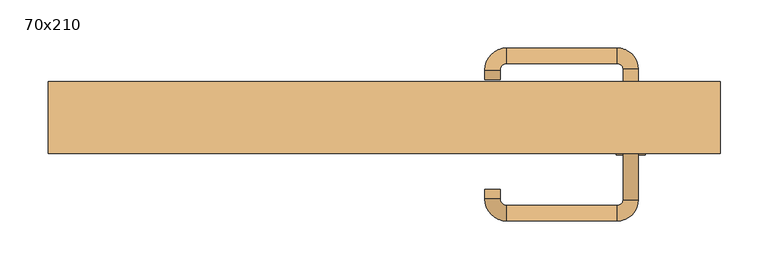
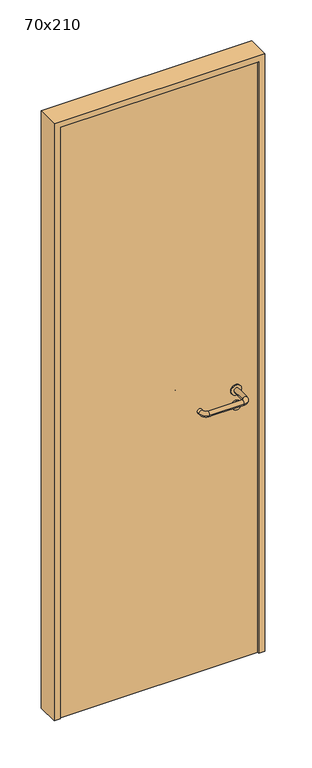
"""IFC4 building model written with IfcOpenShell, lengths in millimetres: door geometry, 70x210."""

from ifc_helpers import new_model, si_unit, point, frame, frame_2d, origin, origin_with_axes, place, context, project, spatial, polyline, circle_curve, ellipse_curve, trimmed, segment, composite_curve, outline, extrude, source, transform, mapped, element, save
from ifc_brep_helpers import plane_surface, cylinder_surface, revolved_surface, advanced_brep


def door_70x210_0659071b(model_context):
    return source(origin(), model_context, "Body", "SolidModel", [
        extrude(outline(composite_curve([segment(trimmed(circle_curve(frame_2d((897.3605726, 257.0)), 15.0), [point((897.3605726, 272.0))], [point((897.3605726, 242.0))], False, "CARTESIAN"), True, "CONTINUOUS"), segment(trimmed(circle_curve(frame_2d((897.3605726, 257.0)), 15.0), [point((897.3605726, 242.0))], [point((897.3605726, 272.0))], False, "CARTESIAN"), True, "CONTINUOUS")], self_intersect=False), holes=[composite_curve([segment(trimmed(circle_curve(frame_2d((892.5833211, 256.9398032)), 2.0), [point((892.5833211, 258.9398032))], [point((892.5833211, 254.9398032))], True, "CARTESIAN"), True, "CONTINUOUS"), segment(polyline([(892.5833211, 254.9398032), (902.5833211, 254.9398032)]), True, "CONTINUOUS"), segment(trimmed(circle_curve(frame_2d((902.5833211, 256.9398032)), 2.0), [point((902.5833211, 254.9398032))], [point((902.5833211, 258.9398032))], True, "CARTESIAN"), True, "CONTINUOUS"), segment(polyline([(902.5833211, 258.9398032), (892.5833211, 258.9398032)]), True, "CONTINUOUS")], self_intersect=False)]), frame((0.0, -27.5, 0.0), z_axis=(0.0, 1.0, 0.0), x_axis=(0.0, 0.0, 1.0)), (0.0, 0.0, 1.0), 6.35),
        extrude(outline(composite_curve([segment(trimmed(circle_curve(frame_2d((950.0, 257.0)), 17.526), [point((950.0, 274.526))], [point((950.0, 239.474))], False, "CARTESIAN"), True, "CONTINUOUS"), segment(trimmed(circle_curve(frame_2d((950.0, 257.0)), 17.526), [point((950.0, 239.474))], [point((950.0, 274.526))], False, "CARTESIAN"), True, "CONTINUOUS")], self_intersect=False)), frame((0.0, -27.5, 0.0), z_axis=(0.0, 1.0, 0.0), x_axis=(0.0, 0.0, 1.0)), (0.0, 0.0, 1.0), 3.175),
        advanced_brep(
        [(265.0, -27.5, 950.0), (249.0, -27.5, 950.0), (265.0, 25.5, 950.0), (249.0, 25.5, 950.0), (242.8578644, 31.6421356, 950.0), (242.8578644, 47.6421356, 950.0), (127.8578644, 47.6421356, 950.0), (127.8578644, 31.6421356, 950.0), (121.008622, 24.7928932, 950.0), (105.008622, 24.7928932, 950.0), (105.008622, 14.7928932, 950.0), (121.008622, 14.7928932, 950.0)],
        [
            (0, 1, circle_curve(frame((257.0, -27.5, 950.0), z_axis=(0.0, -1.0, 0.0), x_axis=(-1.0, 0.0, 0.0)), 8.0)),
            (1, 0, circle_curve(frame((257.0, -27.5, 950.0), z_axis=(0.0, -1.0, 0.0), x_axis=(-1.0, 0.0, 0.0)), 8.0)),
            (0, 2),
            (2, 3, circle_curve(frame((257.0, 25.5, 950.0), z_axis=(0.0, -1.0, 0.0), x_axis=(-1.0, 0.0, 0.0)), 8.0)),
            (3, 1),
            (3, 2, circle_curve(frame((257.0, 25.5, 950.0), z_axis=(0.0, -1.0, 0.0), x_axis=(-1.0, 0.0, 0.0)), 8.0)),
            (4, 3, circle_curve(frame((242.8578644, 25.5, 950.0), z_axis=(0.0, 0.0, -1.0), x_axis=(1.0, 0.0, 0.0)), 6.1421356)),
            (2, 5, circle_curve(frame((242.8578644, 25.5, 950.0), z_axis=(0.0, 0.0, 1.0), x_axis=(1.0, 0.0, 0.0)), 22.1421356)),
            (5, 4, circle_curve(frame((242.8578644, 39.6421356, 950.0), z_axis=(1.0, 0.0, 0.0), x_axis=(0.0, -1.0, 0.0)), 8.0)),
            (4, 5, circle_curve(frame((242.8578644, 39.6421356, 950.0), z_axis=(1.0, 0.0, 0.0), x_axis=(0.0, -1.0, 0.0)), 8.0)),
            (5, 6),
            (6, 7, circle_curve(frame((127.8578644, 39.6421356, 950.0), z_axis=(1.0, 0.0, 0.0), x_axis=(0.0, -1.0, 0.0)), 8.0)),
            (7, 4),
            (7, 6, circle_curve(frame((127.8578644, 39.6421356, 950.0), z_axis=(1.0, 0.0, 0.0), x_axis=(0.0, -1.0, 0.0)), 8.0)),
            (8, 7, circle_curve(frame((127.8578644, 24.7928932, 950.0), z_axis=(0.0, 0.0, -1.0), x_axis=(0.0, 1.0, 0.0)), 6.8492424)),
            (6, 9, circle_curve(frame((127.8578644, 24.7928932, 950.0), z_axis=(0.0, 0.0, 1.0), x_axis=(0.0, 1.0, 0.0)), 22.8492424)),
            (9, 8, circle_curve(frame((113.008622, 24.7928932, 950.0), z_axis=(0.0, 1.0, 0.0), x_axis=(1.0, 0.0, 0.0)), 8.0)),
            (8, 9, circle_curve(frame((113.008622, 24.7928932, 950.0), z_axis=(0.0, 1.0, 0.0), x_axis=(1.0, 0.0, 0.0)), 8.0)),
            (10, 11, circle_curve(frame((113.008622, 14.7928932, 950.0), z_axis=(0.0, -1.0, 0.0), x_axis=(1.0, 0.0, 0.0)), 8.0)),
            (11, 10, circle_curve(frame((113.008622, 14.7928932, 950.0), z_axis=(0.0, -1.0, 0.0), x_axis=(1.0, 0.0, 0.0)), 8.0)),
            (9, 10),
            (11, 8),
        ],
        [
            plane_surface(frame((257.0, -27.5, 0.0), z_axis=(0.0, -1.0, 0.0), x_axis=(0.0, 0.0, 1.0))),
            cylinder_surface(frame((257.0, -27.5, 950.0), z_axis=(0.0, -1.0, 0.0), x_axis=(-1.0, 0.0, 0.0)), 8.0),
            revolved_surface(trimmed(ellipse_curve(frame((257.0, 25.5, 950.0), z_axis=(0.0, -1.0, 0.0), x_axis=(-1.0, 0.0, 0.0)), 8.0, 8.0), [point((265.0, 25.5, 950.0))], [point((249.0, 25.5, 950.0))], True, "CARTESIAN"), (242.8578644, 25.5, 0.0), (0.0, 0.0, 1.0)),
            revolved_surface(trimmed(ellipse_curve(frame((257.0, 25.5, 950.0), z_axis=(0.0, -1.0, 0.0), x_axis=(-1.0, 0.0, 0.0)), 8.0, 8.0), [point((249.0, 25.5, 950.0))], [point((265.0, 25.5, 950.0))], True, "CARTESIAN"), (242.8578644, 25.5, 0.0), (0.0, 0.0, 1.0)),
            cylinder_surface(frame((242.8578644, 39.6421356, 950.0), z_axis=(1.0, 0.0, 0.0), x_axis=(0.0, -1.0, 0.0)), 8.0),
            revolved_surface(trimmed(ellipse_curve(frame((127.8578644, 39.6421356, 950.0), z_axis=(1.0, 0.0, 0.0), x_axis=(0.0, -1.0, 0.0)), 8.0, 8.0), [point((127.8578644, 47.6421356, 950.0))], [point((127.8578644, 31.6421356, 950.0))], True, "CARTESIAN"), (127.8578644, 24.7928932, 0.0), (0.0, 0.0, 1.0)),
            revolved_surface(trimmed(ellipse_curve(frame((127.8578644, 39.6421356, 950.0), z_axis=(1.0, 0.0, 0.0), x_axis=(0.0, -1.0, 0.0)), 8.0, 8.0), [point((127.8578644, 31.6421356, 950.0))], [point((127.8578644, 47.6421356, 950.0))], True, "CARTESIAN"), (127.8578644, 24.7928932, 0.0), (0.0, 0.0, 1.0)),
            plane_surface(frame((113.008622, 14.7928932, 0.0), z_axis=(0.0, -1.0, 0.0), x_axis=(0.0, 0.0, 1.0))),
            cylinder_surface(frame((113.008622, 24.7928932, 950.0), z_axis=(0.0, 1.0, 0.0), x_axis=(1.0, 0.0, 0.0)), 8.0),
        ],
        [
            (0, [[1, 2]]),
            (1, [[-1, 3, 4, 5]]),
            (1, [[-2, -5, 6, -3]]),
            (2, [[7, -4, 8, 9]]),
            (3, [[-8, -6, -7, 10]]),
            (4, [[-9, 11, 12, 13]]),
            (4, [[-10, -13, 14, -11]]),
            (5, [[15, -12, 16, 17]]),
            (6, [[-16, -14, -15, 18]]),
            (7, [[19, 20]]),
            (8, [[-17, 21, -20, 22]]),
            (8, [[-18, -22, -19, -21]]),
        ],
    ),
        extrude(outline(composite_curve([segment(trimmed(circle_curve(frame_2d((0.0, 15.0)), 15.0), [point((0.0, 30.0))], [point((0.0, 0.0))], False, "CARTESIAN"), True, "CONTINUOUS"), segment(trimmed(circle_curve(frame_2d((0.0, 15.0)), 15.0), [point((0.0, 0.0))], [point((0.0, 30.0))], False, "CARTESIAN"), True, "CONTINUOUS")], self_intersect=False), holes=[composite_curve([segment(trimmed(circle_curve(frame_2d((-4.7772515, 14.9398032)), 2.0), [point((-4.7772515, 16.9398032))], [point((-4.7772515, 12.9398032))], True, "CARTESIAN"), True, "CONTINUOUS"), segment(polyline([(-4.7772515, 12.9398032), (5.2227485, 12.9398032)]), True, "CONTINUOUS"), segment(trimmed(circle_curve(frame_2d((5.2227485, 14.9398032)), 2.0), [point((5.2227485, 12.9398032))], [point((5.2227485, 16.9398032))], True, "CARTESIAN"), True, "CONTINUOUS"), segment(polyline([(5.2227485, 16.9398032), (-4.7772515, 16.9398032)]), True, "CONTINUOUS")], self_intersect=False)]), frame((242.0, -63.85, 897.3605726), z_axis=(-1.8870575173328306e-12, 1.0, 0.0), x_axis=(0.0, 0.0, 1.0)), (0.0, 0.0, 1.0), 6.35),
        extrude(outline(composite_curve([segment(trimmed(circle_curve(frame_2d((0.0, 17.526)), 17.526), [point((0.0, 35.052))], [point((0.0, 0.0))], False, "CARTESIAN"), True, "CONTINUOUS"), segment(trimmed(circle_curve(frame_2d((0.0, 17.526)), 17.526), [point((0.0, 0.0))], [point((0.0, 35.052))], False, "CARTESIAN"), True, "CONTINUOUS")], self_intersect=False)), frame((239.474, -60.675, 950.0), z_axis=(-1.8870575173328306e-12, 1.0, 0.0), x_axis=(0.0, 0.0, 1.0)), (0.0, 0.0, 1.0), 3.175),
        advanced_brep(
        [(265.0, -57.5, 950.0), (249.0, -57.5, 950.0), (249.0, -110.5, 950.0), (265.0, -110.5, 950.0), (242.8578644, -116.6421356, 950.0), (242.8578644, -132.6421356, 950.0), (127.8578644, -116.6421356, 950.0), (127.8578644, -132.6421356, 950.0), (121.008622, -109.7928932, 950.0), (105.008622, -109.7928932, 950.0), (105.008622, -99.7928932, 950.0), (121.008622, -99.7928932, 950.0)],
        [
            (0, 1, circle_curve(frame((257.0, -57.5, 950.0), z_axis=(-1.888672253512351e-12, 1.0, 0.0), x_axis=(-1.0, -1.888672253512351e-12, 0.0)), 8.0)),
            (1, 0, circle_curve(frame((257.0, -57.5, 950.0), z_axis=(-1.888672253512351e-12, 1.0, 0.0), x_axis=(-1.0, -1.888672253512351e-12, 0.0)), 8.0)),
            (1, 2),
            (2, 3, circle_curve(frame((257.0, -110.5, 950.0), z_axis=(-1.888672253512351e-12, 1.0, 0.0), x_axis=(-1.0, -1.888672253512351e-12, 0.0)), 8.0)),
            (3, 0),
            (3, 2, circle_curve(frame((257.0, -110.5, 950.0), z_axis=(-1.888672253512351e-12, 1.0, 0.0), x_axis=(-1.0, -1.888672253512351e-12, 0.0)), 8.0)),
            (4, 5, circle_curve(frame((242.8578644, -124.6421356, 950.0), z_axis=(1.0, 1.913702061528922e-12, 0.0), x_axis=(-1.913702061528922e-12, 1.0, 0.0)), 8.0)),
            (5, 3, circle_curve(frame((242.8578644, -110.5, 950.0), z_axis=(0.0, 0.0, 1.0), x_axis=(1.0, 1.880717803715015e-12, 0.0)), 22.1421356)),
            (2, 4, circle_curve(frame((242.8578644, -110.5, 950.0), z_axis=(0.0, 0.0, -1.0), x_axis=(1.0, 1.880717803715015e-12, 0.0)), 6.1421356)),
            (5, 4, circle_curve(frame((242.8578644, -124.6421356, 950.0), z_axis=(1.0, 1.913702061528922e-12, 0.0), x_axis=(-1.913702061528922e-12, 1.0, 0.0)), 8.0)),
            (4, 6),
            (6, 7, circle_curve(frame((127.8578644, -124.6421356, 950.0), z_axis=(1.0, 1.913719828541269e-12, 0.0), x_axis=(-1.913719828541269e-12, 1.0, 0.0)), 8.0)),
            (7, 5),
            (7, 6, circle_curve(frame((127.8578644, -124.6421356, 950.0), z_axis=(1.0, 1.913719828541269e-12, 0.0), x_axis=(-1.913719828541269e-12, 1.0, 0.0)), 8.0)),
            (8, 9, circle_curve(frame((113.008622, -109.7928932, 950.0), z_axis=(1.8888942981172756e-12, -1.0, 0.0), x_axis=(1.0, 1.8888942981172756e-12, 0.0)), 8.0)),
            (9, 7, circle_curve(frame((127.8578644, -109.7928932, 950.0), z_axis=(0.0, 0.0, 1.0), x_axis=(1.9120873253494017e-12, -1.0, 0.0)), 22.8492424)),
            (6, 8, circle_curve(frame((127.8578644, -109.7928932, 950.0), z_axis=(0.0, 0.0, -1.0), x_axis=(1.9120873253494017e-12, -1.0, 0.0)), 6.8492424)),
            (9, 8, circle_curve(frame((113.008622, -109.7928932, 950.0), z_axis=(1.890448610351751e-12, -1.0, 0.0), x_axis=(1.0, 1.890448610351751e-12, 0.0)), 8.0)),
            (10, 11, circle_curve(frame((113.008622, -99.7928932, 950.0), z_axis=(-1.8903642334018795e-12, 1.0, 0.0), x_axis=(1.0, 1.8903642334018795e-12, 0.0)), 8.0)),
            (11, 10, circle_curve(frame((113.008622, -99.7928932, 950.0), z_axis=(-1.8903642334018795e-12, 1.0, 0.0), x_axis=(1.0, 1.8903642334018795e-12, 0.0)), 8.0)),
            (8, 11),
            (10, 9),
        ],
        [
            plane_surface(frame((257.0, -57.5, 0.0), z_axis=(-1.8870575173328306e-12, 1.0, 0.0), x_axis=(0.0, 0.0, 1.0))),
            cylinder_surface(frame((257.0, -57.5, 950.0), z_axis=(-1.888672253512351e-12, 1.0, 0.0), x_axis=(-1.0, -1.888672253512351e-12, 0.0)), 8.0),
            revolved_surface(trimmed(ellipse_curve(frame((257.0, -110.5, 950.0), z_axis=(1.8823325398945356e-12, -1.0, 0.0), x_axis=(-1.0, -1.8823325398945356e-12, 0.0)), 8.0, 8.0), [point((265.0, -110.5, 950.0))], [point((249.0, -110.5, 950.0))], True, "CARTESIAN"), (242.8578644, -110.5, 0.0), (0.0, 0.0, 1.0)),
            revolved_surface(trimmed(ellipse_curve(frame((257.0, -110.5, 950.0), z_axis=(1.8823325398945356e-12, -1.0, 0.0), x_axis=(-1.0, -1.8823325398945356e-12, 0.0)), 8.0, 8.0), [point((249.0, -110.5, 950.0))], [point((265.0, -110.5, 950.0))], True, "CARTESIAN"), (242.8578644, -110.5, 0.0), (0.0, 0.0, 1.0)),
            cylinder_surface(frame((242.8578644, -124.6421356, 950.0), z_axis=(1.0, 1.913719828541269e-12, 0.0), x_axis=(-1.913719828541269e-12, 1.0, 0.0)), 8.0),
            revolved_surface(trimmed(ellipse_curve(frame((127.8578644, -124.6421356, 950.0), z_axis=(-1.0, -1.913702061528922e-12, 0.0), x_axis=(-1.913702061528922e-12, 1.0, 0.0)), 8.0, 8.0), [point((127.8578644, -132.6421356, 950.0))], [point((127.8578644, -116.6421356, 950.0))], True, "CARTESIAN"), (127.8578644, -109.7928932, 0.0), (0.0, 0.0, 1.0)),
            revolved_surface(trimmed(ellipse_curve(frame((127.8578644, -124.6421356, 950.0), z_axis=(-1.0, -1.913702061528922e-12, 0.0), x_axis=(-1.913702061528922e-12, 1.0, 0.0)), 8.0, 8.0), [point((127.8578644, -116.6421356, 950.0))], [point((127.8578644, -132.6421356, 950.0))], True, "CARTESIAN"), (127.8578644, -109.7928932, 0.0), (0.0, 0.0, 1.0)),
            plane_surface(frame((113.008622, -99.7928932, 0.0), z_axis=(-1.8887494972223595e-12, 1.0, 0.0), x_axis=(0.0, 0.0, 1.0))),
            cylinder_surface(frame((113.008622, -109.7928932, 950.0), z_axis=(1.8903642334018795e-12, -1.0, 0.0), x_axis=(1.0, 1.8903642334018795e-12, 0.0)), 8.0),
        ],
        [
            (0, [[1, 2]]),
            (1, [[3, 4, 5, -2]]),
            (1, [[-5, 6, -3, -1]]),
            (2, [[7, 8, -4, 9]]),
            (3, [[10, -9, -6, -8]]),
            (4, [[11, 12, 13, -7]]),
            (4, [[-13, 14, -11, -10]]),
            (5, [[15, 16, -12, 17]]),
            (6, [[18, -17, -14, -16]]),
            (7, [[19, 20]]),
            (8, [[21, -19, 22, -15]]),
            (8, [[-22, -20, -21, -18]]),
        ],
    ),
        extrude(outline(polyline([(2080.0, 330.0), (0.0, 330.0), (0.0, 350.0), (2100.0, 350.0), (2100.0, -350.0), (0.0, -350.0), (0.0, -330.0), (2080.0, -330.0), (2080.0, 330.0)])), frame((0.0, -62.5, 0.0), z_axis=(0.0, 1.0, 0.0), x_axis=(0.0, 0.0, 1.0)), (0.0, 0.0, 1.0), 75.0),
        extrude(outline(polyline([(-330.0, -57.5), (-330.0, -27.5), (330.0, -27.5), (330.0, -57.5), (-330.0, -57.5)])), origin_with_axes(), (0.0, 0.0, 1.0), 2080.0),
    ])


if __name__ == "__main__":
    model = new_model("IFC4")
    model_context = context("Model", 3, world=origin())
    ifc_project = project(units=[si_unit("LENGTHUNIT", "METRE", prefix="MILLI")], contexts=[model_context])
    site = spatial("IfcSite", under=ifc_project)
    building = spatial("IfcBuilding", under=site)
    placement = place(None, origin())
    door_70x210_shape = door_70x210_0659071b(model_context)
    element("IfcDoor", 1, ObjectType="70x210", at=placement, inside=building, context=model_context, shape_type="MappedRepresentation", body=[
        mapped(door_70x210_shape, transform((0.0, 0.0, 0.0), x_axis=(1.0, 0.0, 0.0), y_axis=(0.0, 1.0, 0.0), z_axis=(0.0, 0.0, 1.0))),
    ])
    save(model, "model.ifc")
